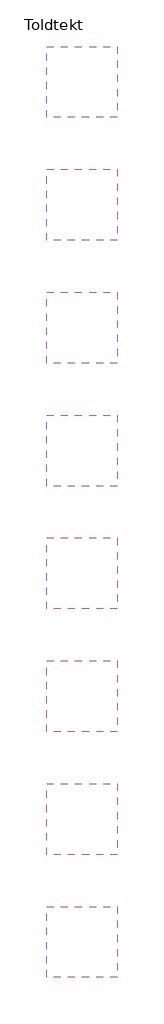
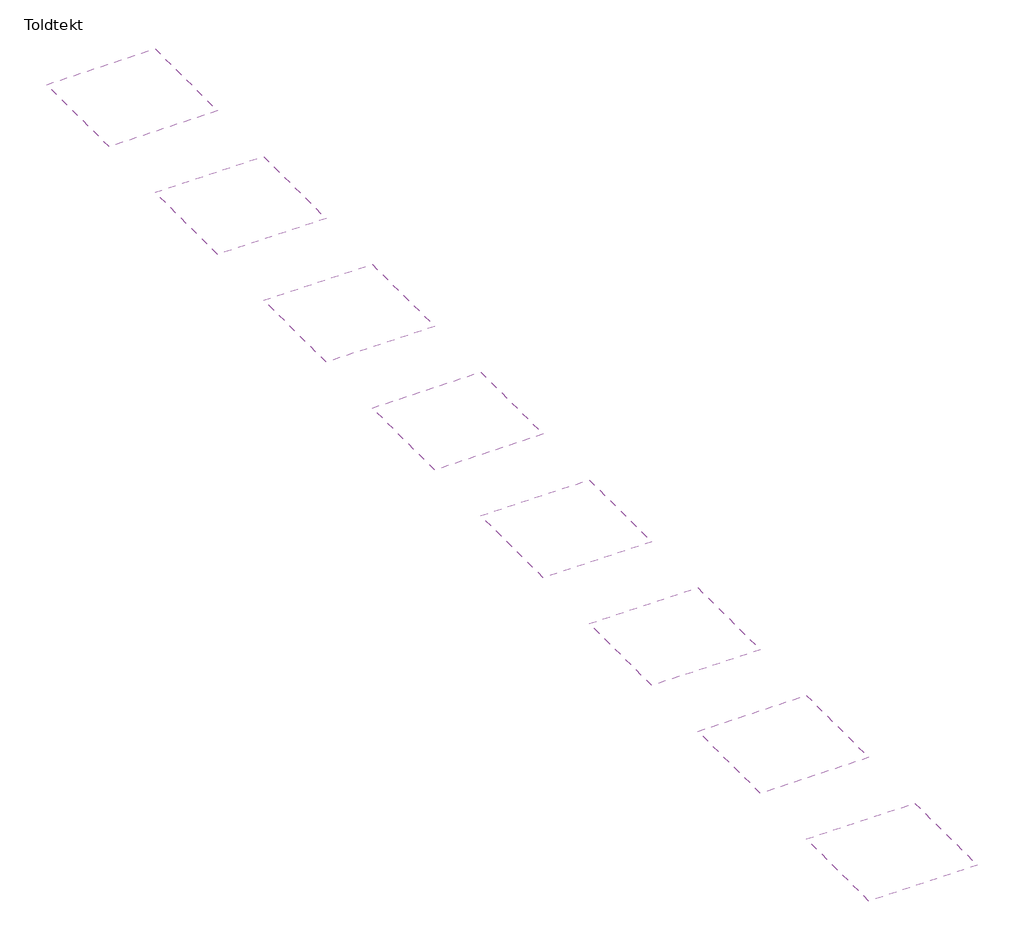
# One storey: 8 coverings.
"""IFC4 building model written with IfcOpenShell, lengths in millimetres."""

from ifc_helpers import new_model, si_unit, frame, origin, place, context, project, spatial, polyline, outline, extrude, element, save

model = new_model("IFC4")

# Units and contexts
model_context = context("Model", 3, world=origin())
ifc_project = project(units=[si_unit("LENGTHUNIT", "METRE", prefix="MILLI")], contexts=[model_context])

# Site, building, storey
site = spatial("IfcSite", under=ifc_project)
building = spatial("IfcBuilding", under=site)
storey = spatial("IfcBuildingStorey", under=building, Name="Toldtekt", Elevation=0.0)

# Coverings
placement = place(None, origin())
element("IfcCovering", 1, at=placement, inside=storey, context=model_context, shape_type="SweptSolid", body=[
    extrude(outline(polyline([(17169.5723108, 29362.9976165), (17169.5723108, 26362.9976165), (14169.5723108, 26362.9976165), (14169.5723108, 29362.9976165), (17169.5723108, 29362.9976165)])), frame((0.0, 0.0, 2600.0), z_axis=(0.0, 0.0, 1.0), x_axis=(1.0, 0.0, 0.0)), (0.0, 0.0, 1.0), 62.0),
])
element("IfcCovering", 2, at=placement, inside=storey, context=model_context, shape_type="SweptSolid", body=[
    extrude(outline(polyline([(17169.5723108, 13763.0338993), (17169.5723108, 10763.0338993), (14169.5723108, 10763.0338993), (14169.5723108, 13763.0338993), (17169.5723108, 13763.0338993)])), frame((0.0, 0.0, 2600.0), z_axis=(0.0, 0.0, 1.0), x_axis=(1.0, 0.0, 0.0)), (0.0, 0.0, 1.0), 62.0),
])
element("IfcCovering", 3, ObjectType="Troldtekt_Plus_C60VAR-C60STR_35+18mm, 600X1200 running bond", at=placement, inside=storey, context=model_context, shape_type="SweptSolid", body=[
    extrude(outline(polyline([(17169.5723108, 24163.0097108), (17169.5723108, 21163.0097108), (14169.5723108, 21163.0097108), (14169.5723108, 24163.0097108), (17169.5723108, 24163.0097108)])), frame((0.0, 0.0, 2600.0), z_axis=(0.0, 0.0, 1.0), x_axis=(1.0, 0.0, 0.0)), (0.0, 0.0, 1.0), 62.0),
])
element("IfcCovering", 4, ObjectType="Troldtekt_Plus_C60VAR-C60STR_35+18mm, 600X1200 stack bond", at=placement, inside=storey, context=model_context, shape_type="SweptSolid", body=[
    extrude(outline(polyline([(17169.5723108, 18963.021805), (17169.5723108, 15963.021805), (14169.5723108, 15963.021805), (14169.5723108, 18963.021805), (17169.5723108, 18963.021805)])), frame((0.0, 0.0, 2600.0), z_axis=(0.0, 0.0, 1.0), x_axis=(1.0, 0.0, 0.0)), (0.0, 0.0, 1.0), 62.0),
])
element("IfcCovering", 5, ObjectType="Troldtekt_Plus_C60VAR-C60STR_35+18mm, 600X2000 stack bond", at=placement, inside=storey, context=model_context, shape_type="SweptSolid", body=[
    extrude(outline(polyline([(17169.5723108, 8563.0459935), (17169.5723108, 5563.0459935), (14169.5723108, 5563.0459935), (14169.5723108, 8563.0459935), (17169.5723108, 8563.0459935)])), frame((0.0, 0.0, 2600.0), z_axis=(0.0, 0.0, 1.0), x_axis=(1.0, 0.0, 0.0)), (0.0, 0.0, 1.0), 62.0),
])
element("IfcCovering", 6, ObjectType="Troldtekt_Plus_C60VAR-C60STR_35+18mm, 600X2400 running bond", at=placement, inside=storey, context=model_context, shape_type="SweptSolid", body=[
    extrude(outline(polyline([(17169.5723108, 3363.0580878), (17169.5723108, 363.0580878), (14169.5723108, 363.0580878), (14169.5723108, 3363.0580878), (17169.5723108, 3363.0580878)])), frame((0.0, 0.0, 2600.0), z_axis=(0.0, 0.0, 1.0), x_axis=(1.0, 0.0, 0.0)), (0.0, 0.0, 1.0), 62.0),
])
element("IfcCovering", 7, ObjectType="Troldtekt_Plus_C60VAR-C60STR_35+18mm, 600X2400 stack bond", at=placement, inside=storey, context=model_context, shape_type="SweptSolid", body=[
    extrude(outline(polyline([(17169.5723108, -1836.929818), (17169.5723108, -4836.929818), (14169.5723108, -4836.929818), (14169.5723108, -1836.929818), (17169.5723108, -1836.929818)])), frame((0.0, 0.0, 2600.0), z_axis=(0.0, 0.0, 1.0), x_axis=(1.0, 0.0, 0.0)), (0.0, 0.0, 1.0), 62.0),
])
element("IfcCovering", 8, ObjectType="Troldtekt_Plus_C60VAR-C60STR_35+18mm, 600X600 running bond", at=placement, inside=storey, context=model_context, shape_type="SweptSolid", body=[
    extrude(outline(polyline([(17169.5723108, 34562.9855223), (17169.5723108, 31562.9855223), (14169.5723108, 31562.9855223), (14169.5723108, 34562.9855223), (17169.5723108, 34562.9855223)])), frame((0.0, 0.0, 2600.0), z_axis=(0.0, 0.0, 1.0), x_axis=(1.0, 0.0, 0.0)), (0.0, 0.0, 1.0), 62.0),
])

save(model, "model.ifc")
